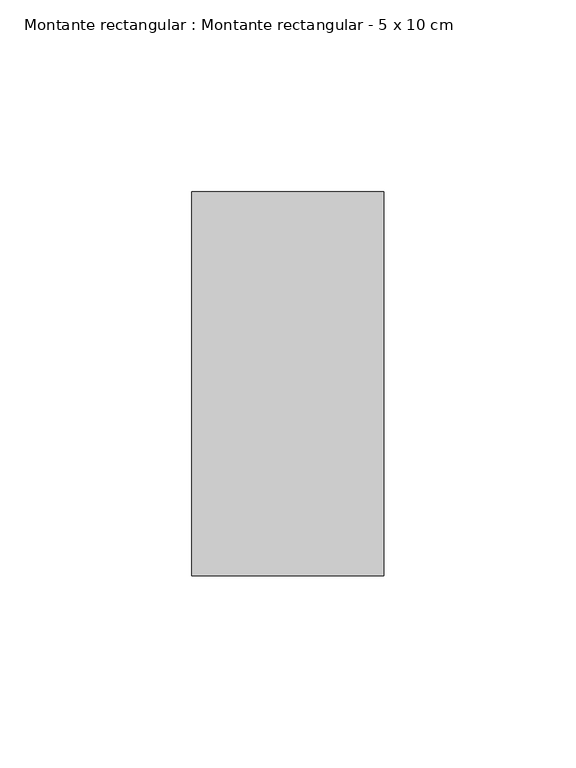
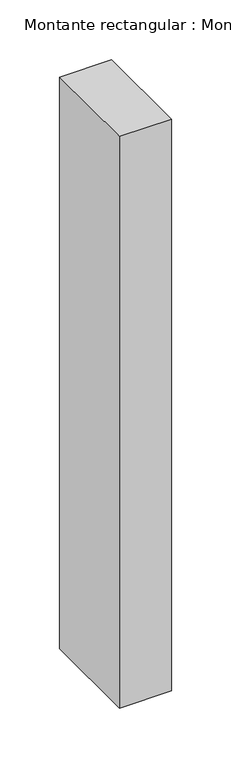
"""IFC4 building model written with IfcOpenShell, lengths in millimetres: member geometry, Montante rectangular : Montante rectangular - 5 x 10 cm."""

from ifc_helpers import new_model, si_unit, frame, origin, place, context, project, spatial, polyline, outline, extrude, source, transform, mapped, element, save


def montante_rectangular_montante_rectangular_5_x_10_cm_b92c6ff5(model_context):
    return source(origin(), model_context, "Body", "SweptSolid", [
        extrude(outline(polyline([(-50.0, 50.0), (0.0, 50.0), (0.0, -50.0), (-50.0, -50.0), (-50.0, 50.0)])), frame((0.0, 0.0, -583.0), z_axis=(0.0, 0.0, 1.0), x_axis=(1.0, 0.0, 0.0)), (0.0, 0.0, 1.0), 583.0),
    ])


if __name__ == "__main__":
    model = new_model("IFC4")
    model_context = context("Model", 3, world=origin())
    ifc_project = project(units=[si_unit("LENGTHUNIT", "METRE", prefix="MILLI")], contexts=[model_context])
    site = spatial("IfcSite", under=ifc_project)
    building = spatial("IfcBuilding", under=site)
    placement = place(None, origin())
    montante_rectangular_montante_rectangular_5_x_10_cm_shape = montante_rectangular_montante_rectangular_5_x_10_cm_b92c6ff5(model_context)
    element("IfcMember", 1, ObjectType="Montante rectangular : Montante rectangular - 5 x 10 cm", at=placement, inside=building, context=model_context, shape_type="MappedRepresentation", body=[
        mapped(montante_rectangular_montante_rectangular_5_x_10_cm_shape, transform((0.0, 0.0, 0.0), x_axis=(1.0, 0.0, 0.0), y_axis=(0.0, 1.0, 0.0), z_axis=(0.0, 0.0, 1.0))),
    ])
    save(model, "model.ifc")
